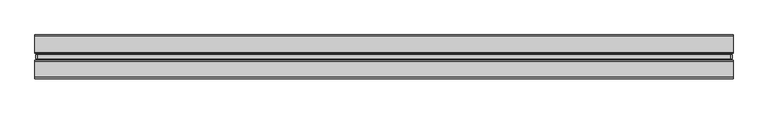
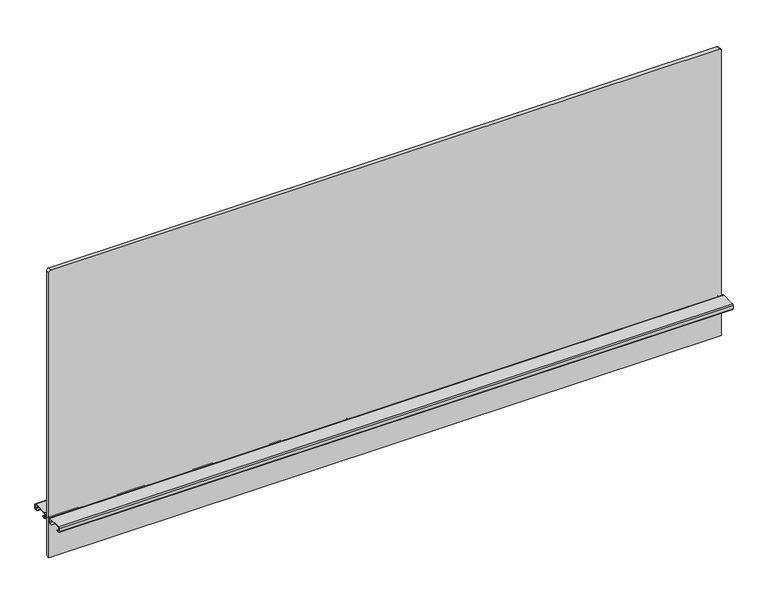
"""IFC4 building model written with IfcOpenShell, lengths in millimetres: furniture geometry."""

from ifc_helpers import new_model, si_unit, point, frame, frame_2d, origin, place, context, project, spatial, polyline, circle_curve, trimmed, segment, composite_curve, outline, extrude, source, transform, mapped, element, save


def furniture_24a86100(model_context):
    return source(origin(), model_context, "Body", "SweptSolid", [
        extrude(outline(composite_curve([segment(polyline([(1239.367613, 604.52), (1239.367613, -604.52)]), True, "CONTINUOUS"), segment(trimmed(circle_curve(frame_2d((1235.557613, -604.52)), 3.81), [point((1239.367613, -604.52))], [point((1235.557613, -608.33))], False, "CARTESIAN"), True, "CONTINUOUS"), segment(polyline([(1235.557613, -608.33), (689.965613, -608.33), (689.965613, 608.33), (1235.557613, 608.33)]), True, "CONTINUOUS"), segment(trimmed(circle_curve(frame_2d((1235.557613, 604.52)), 3.81), [point((1235.557613, 608.33))], [point((1239.367613, 604.52))], False, "CARTESIAN"), True, "CONTINUOUS")], self_intersect=False)), frame((0.0, -3.683001, 0.0), z_axis=(0.0, 1.0, 0.0), x_axis=(0.0, 0.0, 1.0)), (0.0, 0.0, 1.0), 7.3660021),
        extrude(outline(composite_curve([segment(polyline([(8.1724496, 769.2644064), (36.0679996, 769.2644064)]), True, "CONTINUOUS"), segment(trimmed(circle_curve(frame_2d((36.0679996, 767.2324064)), 2.032), [point((36.0679996, 769.2644064))], [point((38.0999996, 767.2324064))], False, "CARTESIAN"), True, "CONTINUOUS"), segment(polyline([(38.0999996, 767.2324064), (38.0999996, 761.1364161)]), True, "CONTINUOUS"), segment(trimmed(circle_curve(frame_2d((36.0679996, 761.1364161)), 2.032), [point((38.0999996, 761.1364161))], [point((36.0679996, 759.1044161))], False, "CARTESIAN"), True, "CONTINUOUS"), segment(polyline([(36.0679996, 759.1044161), (30.7784504, 759.1044161), (30.7784504, 760.0187498), (36.1695996, 760.0187498)]), True, "CONTINUOUS"), segment(trimmed(circle_curve(frame_2d((36.1695996, 761.0347498)), 1.016), [point((36.1695996, 760.0187498))], [point((37.1855996, 761.0347498))], True, "CARTESIAN"), True, "CONTINUOUS"), segment(polyline([(37.1855996, 761.0347498), (37.1855996, 767.334)]), True, "CONTINUOUS"), segment(trimmed(circle_curve(frame_2d((36.1695996, 767.334)), 1.016), [point((37.1855996, 767.334))], [point((36.1695996, 768.35))], True, "CARTESIAN"), True, "CONTINUOUS"), segment(polyline([(36.1695996, 768.35), (8.0708496, 768.35)]), True, "CONTINUOUS"), segment(trimmed(circle_curve(frame_2d((8.0708496, 767.334)), 1.016), [point((8.0708496, 768.35))], [point((7.0548496, 767.334))], True, "CARTESIAN"), True, "CONTINUOUS"), segment(polyline([(7.0548496, 767.334), (7.0548496, 761.0347498)]), True, "CONTINUOUS"), segment(trimmed(circle_curve(frame_2d((8.0708496, 761.0347498)), 1.016), [point((7.0548496, 761.0347498))], [point((8.0708496, 760.0187498))], True, "CARTESIAN"), True, "CONTINUOUS"), segment(polyline([(8.0708496, 760.0187498), (13.4619988, 760.0187498), (13.4619988, 759.1044161), (8.1724496, 759.1044161)]), True, "CONTINUOUS"), segment(trimmed(circle_curve(frame_2d((8.1724496, 761.1364161)), 2.032), [point((8.1724496, 759.1044161))], [point((6.1404496, 761.1364161))], False, "CARTESIAN"), True, "CONTINUOUS"), segment(polyline([(6.1404496, 761.1364161), (6.1404496, 767.2324064)]), True, "CONTINUOUS"), segment(trimmed(circle_curve(frame_2d((8.1724496, 767.2324064)), 2.032), [point((6.1404496, 767.2324064))], [point((8.1724496, 769.2644064))], False, "CARTESIAN"), True, "CONTINUOUS")], self_intersect=False)), frame((-609.6, 0.0, 0.0), z_axis=(1.0, 0.0, 0.0), x_axis=(0.0, 1.0, 0.0)), (0.0, 0.0, 1.0), 1219.2),
        extrude(outline(composite_curve([segment(trimmed(circle_curve(frame_2d((-8.1724496, 767.2324064)), 2.032), [point((-8.1724496, 769.2644064))], [point((-6.1404496, 767.2324064))], False, "CARTESIAN"), True, "CONTINUOUS"), segment(polyline([(-6.1404496, 767.2324064), (-6.1404496, 761.1364161)]), True, "CONTINUOUS"), segment(trimmed(circle_curve(frame_2d((-8.1724496, 761.1364161)), 2.032), [point((-6.1404496, 761.1364161))], [point((-8.1724496, 759.1044161))], False, "CARTESIAN"), True, "CONTINUOUS"), segment(polyline([(-8.1724496, 759.1044161), (-13.4619988, 759.1044161), (-13.4619988, 760.0187498), (-8.0708496, 760.0187498)]), True, "CONTINUOUS"), segment(trimmed(circle_curve(frame_2d((-8.0708496, 761.0347498)), 1.016), [point((-8.0708496, 760.0187498))], [point((-7.0548496, 761.0347498))], True, "CARTESIAN"), True, "CONTINUOUS"), segment(polyline([(-7.0548496, 761.0347498), (-7.0548496, 767.334)]), True, "CONTINUOUS"), segment(trimmed(circle_curve(frame_2d((-8.0708496, 767.334)), 1.016), [point((-7.0548496, 767.334))], [point((-8.0708496, 768.35))], True, "CARTESIAN"), True, "CONTINUOUS"), segment(polyline([(-8.0708496, 768.35), (-36.1695996, 768.35)]), True, "CONTINUOUS"), segment(trimmed(circle_curve(frame_2d((-36.1695996, 767.334)), 1.016), [point((-36.1695996, 768.35))], [point((-37.1855996, 767.334))], True, "CARTESIAN"), True, "CONTINUOUS"), segment(polyline([(-37.1855996, 767.334), (-37.1855996, 761.0347498)]), True, "CONTINUOUS"), segment(trimmed(circle_curve(frame_2d((-36.1695996, 761.0347498)), 1.016), [point((-37.1855996, 761.0347498))], [point((-36.1695996, 760.0187498))], True, "CARTESIAN"), True, "CONTINUOUS"), segment(polyline([(-36.1695996, 760.0187498), (-30.7784504, 760.0187498), (-30.7784504, 759.1044161), (-36.0679996, 759.1044161)]), True, "CONTINUOUS"), segment(trimmed(circle_curve(frame_2d((-36.0679996, 761.1364161)), 2.032), [point((-36.0679996, 759.1044161))], [point((-38.0999996, 761.1364161))], False, "CARTESIAN"), True, "CONTINUOUS"), segment(polyline([(-38.0999996, 761.1364161), (-38.0999996, 767.2324064)]), True, "CONTINUOUS"), segment(trimmed(circle_curve(frame_2d((-36.0679996, 767.2324064)), 2.032), [point((-38.0999996, 767.2324064))], [point((-36.0679996, 769.2644064))], False, "CARTESIAN"), True, "CONTINUOUS"), segment(polyline([(-36.0679996, 769.2644064), (-8.1724496, 769.2644064)]), True, "CONTINUOUS")], self_intersect=False)), frame((-609.6, 0.0, 0.0), z_axis=(1.0, 0.0, 0.0), x_axis=(0.0, 1.0, 0.0)), (0.0, 0.0, 1.0), 1219.2),
    ])


if __name__ == "__main__":
    model = new_model("IFC4")
    model_context = context("Model", 3, world=origin())
    ifc_project = project(units=[si_unit("LENGTHUNIT", "METRE", prefix="MILLI")], contexts=[model_context])
    site = spatial("IfcSite", under=ifc_project)
    building = spatial("IfcBuilding", under=site)
    placement = place(None, origin())
    furniture_shape = furniture_24a86100(model_context)
    element("IfcFurniture", 1, at=placement, inside=building, context=model_context, shape_type="MappedRepresentation", body=[
        mapped(furniture_shape, transform((0.0, 0.0, 0.0), x_axis=(1.0, 0.0, 0.0), y_axis=(0.0, 1.0, 0.0), z_axis=(0.0, 0.0, 1.0))),
    ])
    save(model, "model.ifc")
